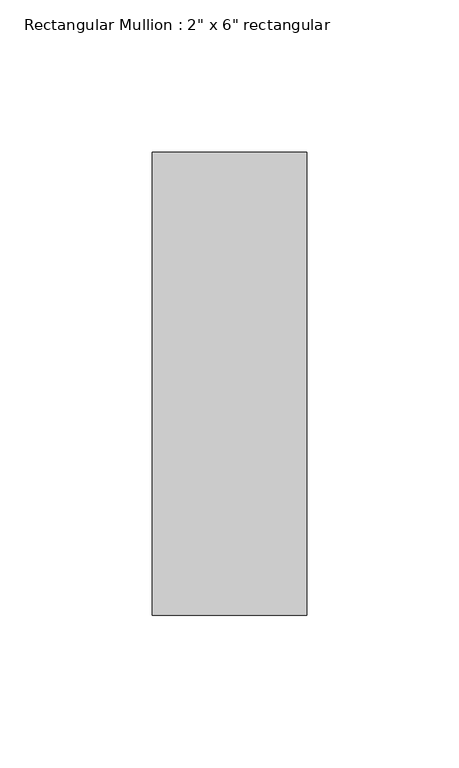
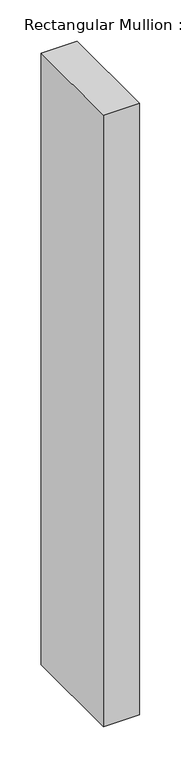
"""IFC4 building model written with IfcOpenShell, lengths in millimetres: member geometry."""

from ifc_helpers import new_model, si_unit, frame, origin, place, context, project, spatial, polyline, outline, extrude, source, transform, mapped, element, save


def member_a2a3acc8(model_context):
    return source(origin(), model_context, "Body", "SweptSolid", [
        extrude(outline(polyline([(0.0, 76.2), (0.0, -76.2), (-50.8, -76.2), (-50.8, 76.2), (0.0, 76.2)])), frame((0.0, 0.0, -908.2147001), z_axis=(0.0, 0.0, 1.0), x_axis=(1.0, 0.0, 0.0)), (0.0, 0.0, 1.0), 908.2147001),
    ])


if __name__ == "__main__":
    model = new_model("IFC4")
    model_context = context("Model", 3, world=origin())
    ifc_project = project(units=[si_unit("LENGTHUNIT", "METRE", prefix="MILLI")], contexts=[model_context])
    site = spatial("IfcSite", under=ifc_project)
    building = spatial("IfcBuilding", under=site)
    placement = place(None, origin())
    member_shape = member_a2a3acc8(model_context)
    element("IfcMember", 1, ObjectType="Rectangular Mullion : 2\" x 6\" rectangular", at=placement, inside=building, context=model_context, shape_type="MappedRepresentation", body=[
        mapped(member_shape, transform((0.0, 0.0, 0.0), x_axis=(1.0, 0.0, 0.0), y_axis=(0.0, 1.0, 0.0), z_axis=(0.0, 0.0, 1.0))),
    ])
    save(model, "model.ifc")
